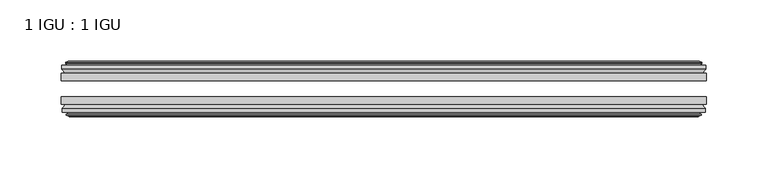
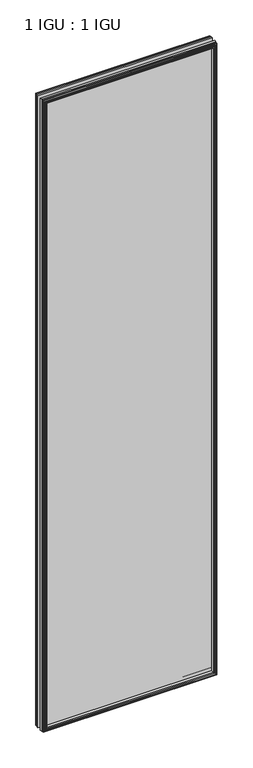
"""IFC4 building model written with IfcOpenShell, lengths in millimetres: plate geometry, 1 IGU : 1 IGU."""

from ifc_helpers import new_model, si_unit, frame, origin, place, context, project, spatial, polyline, outline, extrude, faceted_brep, source, transform, mapped, element, save


def plate_1_igu_1_igu_c782b3fe(model_context):
    return source(origin(), model_context, "Body", "SolidModel", [
        extrude(outline(polyline([(263.525, -25.8960937), (263.525, -32.2460938), (-263.525, -32.2460938), (-263.525, -25.8960937), (263.525, -25.8960937)])), frame((0.0, 0.0, -12.7), z_axis=(0.0, 0.0, 1.0), x_axis=(1.0, 0.0, 0.0)), (0.0, 0.0, 1.0), 2019.3),
        extrude(outline(polyline([(-263.525, -51.2960938), (-263.525, -45.2686737), (263.525, -45.2686737), (263.525, -51.2960938), (-263.525, -51.2960938)])), frame((0.0, 0.0, -12.7), z_axis=(0.0, 0.0, 1.0), x_axis=(1.0, 0.0, 0.0)), (0.0, 0.0, 1.0), 2019.3),
        faceted_brep([(-257.937, -60.0262907, 2001.012), (-258.318, -57.6460937, 2001.393), (-258.318, -57.6460937, -7.493), (-257.937, -60.0262907, -7.112), (-259.352529, -59.5663575, 2002.4275291), (-259.352529, -59.5663575, -8.5275291), (-259.352529, -60.3675717, 2002.4275291), (-259.352529, -60.3675717, -8.5275291), (-257.175, -61.0750937, 2000.25), (-257.175, -61.0750937, -6.35), (-254.9974709, -60.3675717, 1998.072471), (-254.9974709, -60.3675717, -4.1724709), (-254.9974709, -59.5663575, 1998.072471), (-254.9974709, -59.5663575, -4.1724709), (-256.413, -60.0262907, 1999.488), (-256.413, -60.0262907, -5.588), (-256.032, -57.6460937, 1999.107), (-256.032, -57.6460937, -5.207), (-249.1072819, -51.2960937, 1992.1822819), (-250.825, -57.6460937, 1993.9), (-250.825, -57.6460937, 0.0), (-249.1072819, -51.2960937, 1.7177181), (-262.763, -54.6996937, 2005.838), (-259.9286578, -51.2960937, 2003.0036578), (-259.9286578, -51.2960937, -9.1036578), (-262.763, -54.6996937, -11.938), (-262.763, -57.6460937, 2005.838), (-262.763, -57.6460937, -11.938), (258.318, -57.6460938, -7.493), (257.937, -60.0262907, -7.112), (259.352529, -59.5663575, -8.5275291), (259.352529, -60.3675717, -8.5275291), (257.175, -61.0750937, -6.35), (254.9974709, -60.3675717, -4.1724709), (254.9974709, -59.5663575, -4.1724709), (256.413, -60.0262907, -5.588), (256.032, -57.6460937, -5.207), (250.825, -57.6460937, 0.0), (249.1072819, -51.2960937, 1.7177181), (259.9286578, -51.2960937, -9.1036578), (262.763, -54.6996937, -11.938), (262.763, -57.6460938, -11.938), (258.318, -57.6460938, 2001.393), (257.937, -60.0262907, 2001.012), (259.352529, -59.5663575, 2002.4275291), (259.352529, -60.3675717, 2002.4275291), (257.175, -61.0750937, 2000.25), (254.9974709, -60.3675717, 1998.072471), (254.9974709, -59.5663575, 1998.072471), (256.413, -60.0262907, 1999.488), (256.032, -57.6460937, 1999.107), (250.825, -57.6460937, 1993.9), (249.1072819, -51.2960937, 1992.1822819), (259.9286578, -51.2960937, 2003.0036578), (262.763, -54.6996937, 2005.838), (262.763, -57.6460938, 2005.838)], [[[0, 1, 2, 3]], [[4, 0, 3, 5]], [[6, 4, 5, 7]], [[8, 6, 7, 9]], [[10, 8, 9, 11]], [[12, 10, 11, 13]], [[14, 12, 13, 15]], [[16, 14, 15, 17]], [[18, 19, 20, 21]], [[22, 23, 24, 25]], [[26, 22, 25, 27]], [[3, 2, 28, 29]], [[5, 3, 29, 30]], [[7, 5, 30, 31]], [[9, 7, 31, 32]], [[11, 9, 32, 33]], [[13, 11, 33, 34]], [[15, 13, 34, 35]], [[17, 15, 35, 36]], [[21, 20, 37, 38]], [[25, 24, 39, 40]], [[27, 25, 40, 41]], [[29, 28, 42, 43]], [[30, 29, 43, 44]], [[31, 30, 44, 45]], [[32, 31, 45, 46]], [[33, 32, 46, 47]], [[34, 33, 47, 48]], [[35, 34, 48, 49]], [[36, 35, 49, 50]], [[38, 37, 51, 52]], [[40, 39, 53, 54]], [[41, 40, 54, 55]], [[27, 41, 55, 26], [1, 42, 28, 2]], [[43, 42, 1, 0]], [[44, 43, 0, 4]], [[45, 44, 4, 6]], [[46, 45, 6, 8]], [[47, 46, 8, 10]], [[48, 47, 10, 12]], [[49, 48, 12, 14]], [[50, 49, 14, 16]], [[17, 36, 50, 16], [19, 51, 37, 20]], [[52, 51, 19, 18]], [[23, 53, 39, 24], [21, 38, 52, 18]], [[54, 53, 23, 22]], [[55, 54, 22, 26]]]),
        faceted_brep([(-260.4493578, -25.8960937, 2003.5243578), (-263.2837, -22.4924937, 2006.3587), (-263.2837, -22.4924937, -12.4587), (-260.4493578, -25.8960937, -9.6243578), (-251.3457, -19.5460937, 1994.4207), (-249.6279819, -25.8960937, 1992.7029819), (-249.6279819, -25.8960937, 1.1970181), (-251.3457, -19.5460937, -0.5207), (-256.9337, -17.1658968, 2000.0087), (-256.5527, -19.5460937, 1999.6277), (-256.5527, -19.5460937, -5.7277), (-256.9337, -17.1658968, -6.1087), (-255.5181709, -17.62583, 1998.593171), (-255.5181709, -17.62583, -4.6931709), (-255.5181709, -16.8246158, 1998.593171), (-255.5181709, -16.8246158, -4.6931709), (-257.6957, -16.1170937, 2000.7707), (-257.6957, -16.1170937, -6.8707), (-259.873229, -16.8246158, 2002.9482291), (-259.873229, -16.8246158, -9.0482291), (-259.873229, -17.62583, 2002.9482291), (-259.873229, -17.62583, -9.0482291), (-258.4577, -17.1658968, 2001.5327), (-258.4577, -17.1658968, -7.6327), (-258.8387, -19.5460937, 2001.9137), (-258.8387, -19.5460937, -8.0137), (-263.2837, -19.5460937, 2006.3587), (-263.2837, -19.5460937, -12.4587), (263.2837, -22.4924937, -12.4587), (260.4493578, -25.8960937, -9.6243578), (249.6279819, -25.8960937, 1.1970181), (251.3457, -19.5460937, -0.5207), (256.5527, -19.5460937, -5.7277), (256.9337, -17.1658968, -6.1087), (255.5181709, -17.62583, -4.6931709), (255.5181709, -16.8246158, -4.6931709), (257.6957, -16.1170937, -6.8707), (259.873229, -16.8246158, -9.0482291), (259.873229, -17.62583, -9.0482291), (258.4577, -17.1658968, -7.6327), (258.8387, -19.5460937, -8.0137), (263.2837, -19.5460937, -12.4587), (263.2837, -22.4924937, 2006.3587), (260.4493578, -25.8960937, 2003.5243578), (249.6279819, -25.8960937, 1992.7029819), (251.3457, -19.5460937, 1994.4207), (256.5527, -19.5460937, 1999.6277), (256.9337, -17.1658968, 2000.0087), (255.5181709, -17.62583, 1998.593171), (255.5181709, -16.8246158, 1998.593171), (257.6957, -16.1170937, 2000.7707), (259.873229, -16.8246158, 2002.9482291), (259.873229, -17.62583, 2002.9482291), (258.4577, -17.1658968, 2001.5327), (258.8387, -19.5460937, 2001.9137), (263.2837, -19.5460937, 2006.3587)], [[[0, 1, 2, 3]], [[4, 5, 6, 7]], [[8, 9, 10, 11]], [[12, 8, 11, 13]], [[14, 12, 13, 15]], [[16, 14, 15, 17]], [[18, 16, 17, 19]], [[20, 18, 19, 21]], [[22, 20, 21, 23]], [[24, 22, 23, 25]], [[1, 26, 27, 2]], [[3, 2, 28, 29]], [[7, 6, 30, 31]], [[11, 10, 32, 33]], [[13, 11, 33, 34]], [[15, 13, 34, 35]], [[17, 15, 35, 36]], [[19, 17, 36, 37]], [[21, 19, 37, 38]], [[23, 21, 38, 39]], [[25, 23, 39, 40]], [[2, 27, 41, 28]], [[29, 28, 42, 43]], [[31, 30, 44, 45]], [[33, 32, 46, 47]], [[34, 33, 47, 48]], [[35, 34, 48, 49]], [[36, 35, 49, 50]], [[37, 36, 50, 51]], [[38, 37, 51, 52]], [[39, 38, 52, 53]], [[40, 39, 53, 54]], [[28, 41, 55, 42]], [[43, 42, 1, 0]], [[3, 29, 43, 0], [5, 44, 30, 6]], [[45, 44, 5, 4]], [[9, 46, 32, 10], [7, 31, 45, 4]], [[47, 46, 9, 8]], [[48, 47, 8, 12]], [[49, 48, 12, 14]], [[50, 49, 14, 16]], [[51, 50, 16, 18]], [[52, 51, 18, 20]], [[53, 52, 20, 22]], [[54, 53, 22, 24]], [[26, 55, 41, 27], [25, 40, 54, 24]], [[42, 55, 26, 1]]]),
    ])


if __name__ == "__main__":
    model = new_model("IFC4")
    model_context = context("Model", 3, world=origin())
    ifc_project = project(units=[si_unit("LENGTHUNIT", "METRE", prefix="MILLI")], contexts=[model_context])
    site = spatial("IfcSite", under=ifc_project)
    building = spatial("IfcBuilding", under=site)
    placement = place(None, origin())
    plate_1_igu_1_igu_shape = plate_1_igu_1_igu_c782b3fe(model_context)
    element("IfcPlate", 1, ObjectType="1 IGU : 1 IGU", at=placement, inside=building, context=model_context, shape_type="MappedRepresentation", body=[
        mapped(plate_1_igu_1_igu_shape, transform((0.0, 0.0, 0.0), x_axis=(1.0, 0.0, 0.0), y_axis=(0.0, 1.0, 0.0), z_axis=(0.0, 0.0, 1.0))),
    ])
    save(model, "model.ifc")
